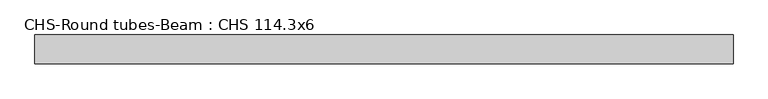
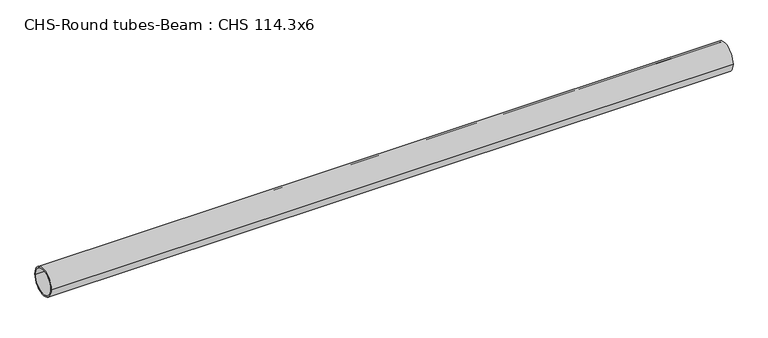
"""IFC4 building model written with IfcOpenShell, lengths in millimetres: beam geometry, CHS-Round tubes-Beam : CHS 114.3x6."""

from ifc_helpers import new_model, si_unit, point, frame, origin, origin_2d, place, context, project, spatial, circle_curve, trimmed, segment, composite_curve, outline, extrude, source, transform, mapped, element, save


def chs_round_tubes_beam_chs_114_3x6_5d7ac5ab(model_context):
    return source(origin(), model_context, "Body", "SweptSolid", [
        extrude(outline(composite_curve([segment(trimmed(circle_curve(origin_2d(), 57.15), [point((57.15, 0.0))], [point((-57.15, 0.0))], False, "CARTESIAN"), True, "CONTINUOUS"), segment(trimmed(circle_curve(origin_2d(), 57.15), [point((-57.15, 0.0))], [point((57.15, 0.0))], False, "CARTESIAN"), True, "CONTINUOUS")], self_intersect=False), holes=[composite_curve([segment(trimmed(circle_curve(origin_2d(), 51.15), [point((51.15, 0.0))], [point((-51.15, 0.0))], True, "CARTESIAN"), True, "CONTINUOUS"), segment(trimmed(circle_curve(origin_2d(), 51.15), [point((-51.15, 0.0))], [point((51.15, 0.0))], True, "CARTESIAN"), True, "CONTINUOUS")], self_intersect=False)]), frame((-1364.5440999, 0.0, 0.0), z_axis=(1.0, 0.0, 0.0), x_axis=(0.0, 1.0, 0.0)), (0.0, 0.0, 1.0), 2763.2231716),
    ])


if __name__ == "__main__":
    model = new_model("IFC4")
    model_context = context("Model", 3, world=origin())
    ifc_project = project(units=[si_unit("LENGTHUNIT", "METRE", prefix="MILLI")], contexts=[model_context])
    site = spatial("IfcSite", under=ifc_project)
    building = spatial("IfcBuilding", under=site)
    placement = place(None, origin())
    chs_round_tubes_beam_chs_114_3x6_shape = chs_round_tubes_beam_chs_114_3x6_5d7ac5ab(model_context)
    element("IfcBeam", 1, ObjectType="CHS-Round tubes-Beam : CHS 114.3x6", at=placement, inside=building, context=model_context, shape_type="MappedRepresentation", body=[
        mapped(chs_round_tubes_beam_chs_114_3x6_shape, transform((0.0, 0.0, 0.0), x_axis=(1.0, 0.0, 0.0), y_axis=(0.0, 1.0, 0.0), z_axis=(0.0, 0.0, 1.0))),
    ])
    save(model, "model.ifc")
